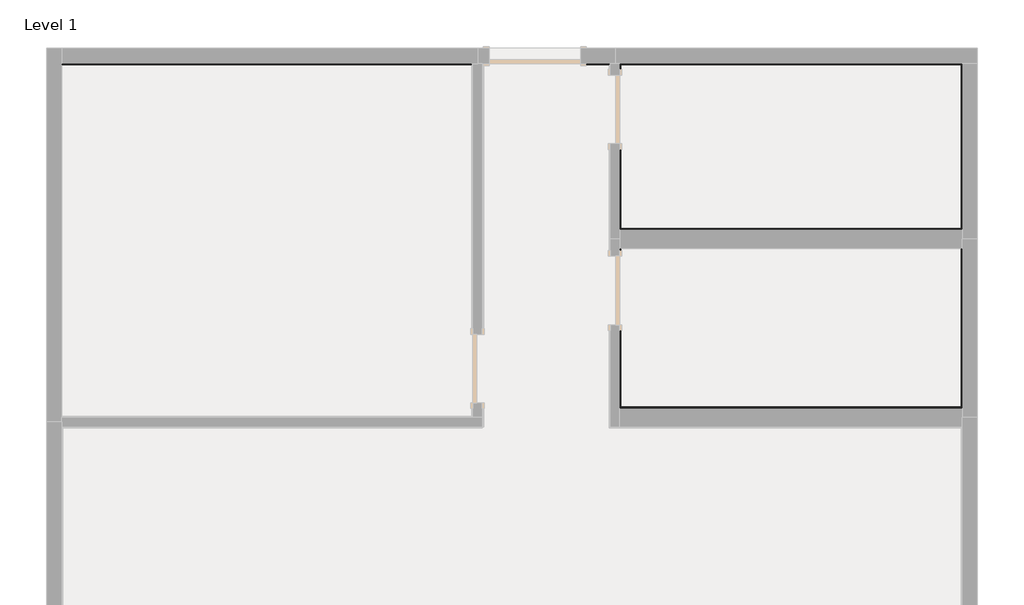
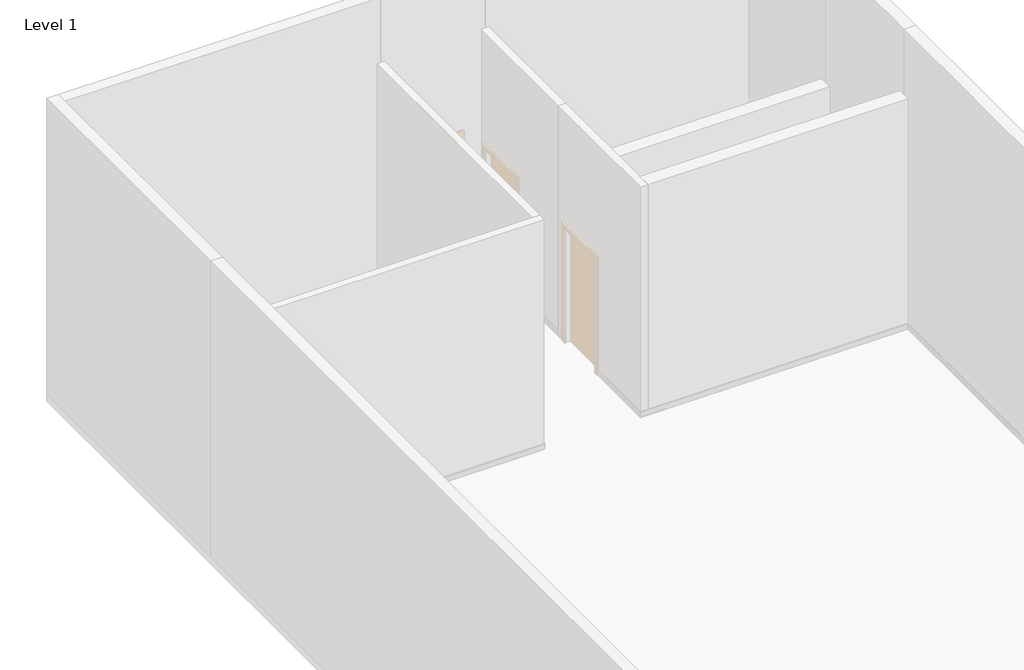
# One storey, part 3 of 3: 5 proxies.
"""IFC4 building model written with IfcOpenShell, lengths in millimetres."""

from ifc_helpers import new_model, si_unit, frame, origin, place, context, project, spatial, circle_curve, ellipse_curve, element, save
from ifc_brep_helpers import plane_surface, cylinder_surface, advanced_brep

model = new_model("IFC4")

# Units and contexts
model_context = context("Model", 3, world=origin())
ifc_project = project(units=[si_unit("LENGTHUNIT", "METRE", prefix="MILLI")], contexts=[model_context])

# Site, building, storey
site = spatial("IfcSite", under=ifc_project)
building = spatial("IfcBuilding", under=site)
storey = spatial("IfcBuildingStorey", under=building, Name="Level 1", Elevation=0.0)

# Proxies
placement = place(None, origin())
element("IfcBuildingElementProxy", 1, Name="base", ObjectType="base", at=placement, inside=storey, context=model_context, shape_type="AdvancedBrep", body=[
    advanced_brep(
    [(-12951.4064527, 12661.3372492, 22.1801656), (-12951.4064527, 12661.3372492, 0.0), (-12951.4064527, 12647.0497492, 0.0), (-12951.4064527, 12647.0497492, 104.775), (-12951.4064527, 12650.2247492, 107.95), (-12951.4064527, 12661.3372492, 107.95), (-12951.4064527, 12661.3372492, 87.5505545), (-12951.4064527, 12657.9475457, 85.828144), (-12951.4064527, 12657.9475457, 23.915644), (-7477.7064527, 12661.3372492, 22.1801656), (-7477.7064527, 12657.9475457, 23.915644), (-7477.7064527, 12657.9475457, 85.828144), (-7477.7064527, 12661.3372492, 87.5505545), (-7477.7064527, 12661.3372492, 107.95), (-7477.7064527, 12650.2247492, 107.95), (-7477.7064527, 12647.0497492, 104.775), (-7477.7064527, 12647.0497492, 0.0), (-7477.7064527, 12661.3372492, 0.0)],
    [
        (0, 1),
        (1, 2),
        (2, 3),
        (3, 4, circle_curve(frame((-12951.4064527, 12650.2247492, 104.775), z_axis=(-1.0, 0.0, 0.0), x_axis=(0.0, -1.0, 0.0)), 3.175)),
        (4, 5),
        (5, 6),
        (6, 7),
        (7, 8),
        (8, 0),
        (9, 10),
        (10, 11),
        (11, 12),
        (12, 13),
        (13, 14),
        (14, 15, circle_curve(frame((-7477.7064527, 12650.2247492, 104.775), z_axis=(1.0, 0.0, 0.0), x_axis=(0.0, -1.0, 0.0)), 3.175)),
        (15, 16),
        (16, 17),
        (17, 9),
        (0, 9),
        (17, 1),
        (16, 2),
        (15, 3),
        (14, 4),
        (13, 5),
        (12, 6),
        (11, 7),
        (10, 8),
    ],
    [
        plane_surface(frame((-12951.4064527, 12661.3372492, -108.5204596), z_axis=(-1.0, 0.0, 0.0), x_axis=(0.0, 1.0, 0.0))),
        plane_surface(frame((-7477.7064527, 12661.3372492, -108.5204596), z_axis=(1.0, 0.0, 0.0), x_axis=(0.0, 1.0, 0.0))),
        plane_surface(frame((-12951.4064527, 12661.3372492, 22.1801656), z_axis=(0.0, 1.0, 0.0), x_axis=(1.0, 0.0, 0.0))),
        plane_surface(frame((-12951.4064527, 12661.3372492, 0.0), z_axis=(0.0, 0.0, -1.0), x_axis=(1.0, 0.0, 0.0))),
        plane_surface(frame((-12951.4064527, 12647.0497492, 0.0), z_axis=(0.0, -1.0, 0.0), x_axis=(1.0, 0.0, 0.0))),
        cylinder_surface(frame((-12951.4064527, 12650.2247492, 104.775), z_axis=(-1.0, 0.0, 0.0), x_axis=(0.0, -1.0, 0.0)), 3.175),
        plane_surface(frame((-12951.4064527, 12650.2247492, 107.95), z_axis=(0.0, 0.0, 1.0), x_axis=(1.0, 0.0, 0.0))),
        plane_surface(frame((-12951.4064527, 12661.3372492, 107.95), z_axis=(0.0, 1.0, 0.0), x_axis=(1.0, 0.0, 0.0))),
        plane_surface(frame((-12951.4064527, 12661.3372492, 87.5505545), z_axis=(0.0, 0.4530026868357818, -0.8915091506650745), x_axis=(1.0, 0.0, 0.0))),
        plane_surface(frame((-12951.4064527, 12657.9475457, 85.828144), z_axis=(0.0, 1.0, 0.0), x_axis=(1.0, 0.0, 0.0))),
        plane_surface(frame((-12951.4064527, 12657.9475457, 23.915644), z_axis=(0.0, 0.4557279043188856, 0.8901191365346083), x_axis=(1.0, 0.0, 0.0))),
    ],
    [
        (0, [[1, 2, 3, 4, 5, 6, 7, 8, 9]]),
        (1, [[10, 11, 12, 13, 14, 15, 16, 17, 18]]),
        (2, [[-1, 19, -18, 20]]),
        (3, [[-2, -20, -17, 21]]),
        (4, [[-3, -21, -16, 22]]),
        (5, [[-4, -22, -15, 23]]),
        (6, [[-5, -23, -14, 24]]),
        (7, [[-6, -24, -13, 25]]),
        (8, [[-7, -25, -12, 26]]),
        (9, [[-8, -26, -11, 27]]),
        (10, [[-9, -27, -10, -19]]),
    ],
),
    advanced_brep(
    [(-7350.7064527, 12661.3372492, 22.1801656), (-7350.7064527, 12661.3372492, 0.0), (-7350.7064527, 12647.0497492, 0.0), (-7350.7064527, 12647.0497492, 104.775), (-7350.7064527, 12650.2247492, 107.95), (-7350.7064527, 12661.3372492, 107.95), (-7350.7064527, 12661.3372492, 87.5505545), (-7350.7064527, 12657.9475457, 85.828144), (-7350.7064527, 12657.9475457, 23.915644), (-7261.8064527, 12661.3372492, 22.1801656), (-7261.8064527, 12657.9475457, 23.915644), (-7261.8064527, 12657.9475457, 85.828144), (-7261.8064527, 12661.3372492, 87.5505545), (-7261.8064527, 12661.3372492, 107.95), (-7261.8064527, 12650.2247492, 107.95), (-7261.8064527, 12647.0497492, 104.775), (-7261.8064527, 12647.0497492, 0.0), (-7261.8064527, 12661.3372492, 0.0)],
    [
        (0, 1),
        (1, 2),
        (2, 3),
        (3, 4, circle_curve(frame((-7350.7064527, 12650.2247492, 104.775), z_axis=(-1.0, 0.0, 0.0), x_axis=(0.0, -1.0, 0.0)), 3.175)),
        (4, 5),
        (5, 6),
        (6, 7),
        (7, 8),
        (8, 0),
        (9, 10),
        (10, 11),
        (11, 12),
        (12, 13),
        (13, 14),
        (14, 15, circle_curve(frame((-7261.8064527, 12650.2247492, 104.775), z_axis=(1.0, 0.0, 0.0), x_axis=(0.0, -1.0, 0.0)), 3.175)),
        (15, 16),
        (16, 17),
        (17, 9),
        (0, 9),
        (17, 1),
        (16, 2),
        (15, 3),
        (14, 4),
        (13, 5),
        (12, 6),
        (11, 7),
        (10, 8),
    ],
    [
        plane_surface(frame((-7350.7064527, 12661.3372492, -108.5204596), z_axis=(-1.0, 0.0, 0.0), x_axis=(0.0, 1.0, 0.0))),
        plane_surface(frame((-7261.8064527, 12661.3372492, -108.5204596), z_axis=(1.0, 0.0, 0.0), x_axis=(0.0, 1.0, 0.0))),
        plane_surface(frame((-7350.7064527, 12661.3372492, 22.1801656), z_axis=(0.0, 1.0, 0.0), x_axis=(1.0, 0.0, 0.0))),
        plane_surface(frame((-7350.7064527, 12661.3372492, 0.0), z_axis=(0.0, 0.0, -1.0), x_axis=(1.0, 0.0, 0.0))),
        plane_surface(frame((-7350.7064527, 12647.0497492, 0.0), z_axis=(0.0, -1.0, 0.0), x_axis=(1.0, 0.0, 0.0))),
        cylinder_surface(frame((-7350.7064527, 12650.2247492, 104.775), z_axis=(-1.0, 0.0, 0.0), x_axis=(0.0, -1.0, 0.0)), 3.175),
        plane_surface(frame((-7350.7064527, 12650.2247492, 107.95), z_axis=(0.0, 0.0, 1.0), x_axis=(1.0, 0.0, 0.0))),
        plane_surface(frame((-7350.7064527, 12661.3372492, 107.95), z_axis=(0.0, 1.0, 0.0), x_axis=(1.0, 0.0, 0.0))),
        plane_surface(frame((-7350.7064527, 12661.3372492, 87.5505545), z_axis=(0.0, 0.4530026868357818, -0.8915091506650745), x_axis=(1.0, 0.0, 0.0))),
        plane_surface(frame((-7350.7064527, 12657.9475457, 85.828144), z_axis=(0.0, 1.0, 0.0), x_axis=(1.0, 0.0, 0.0))),
        plane_surface(frame((-7350.7064527, 12657.9475457, 23.915644), z_axis=(0.0, 0.4557279043188856, 0.8901191365346083), x_axis=(1.0, 0.0, 0.0))),
    ],
    [
        (0, [[1, 2, 3, 4, 5, 6, 7, 8, 9]]),
        (1, [[10, 11, 12, 13, 14, 15, 16, 17, 18]]),
        (2, [[-1, 19, -18, 20]]),
        (3, [[-2, -20, -17, 21]]),
        (4, [[-3, -21, -16, 22]]),
        (5, [[-4, -22, -15, 23]]),
        (6, [[-5, -23, -14, 24]]),
        (7, [[-6, -24, -13, 25]]),
        (8, [[-7, -25, -12, 26]]),
        (9, [[-8, -26, -11, 27]]),
        (10, [[-9, -27, -10, -19]]),
    ],
),
    advanced_brep(
    [(-5521.9064527, 12661.3372492, 22.1801656), (-5521.9064527, 12661.3372492, 0.0), (-5507.6189527, 12647.0497492, 0.0), (-5507.6189527, 12647.0497492, 104.775), (-5510.7939527, 12650.2247492, 107.95), (-5521.9064527, 12661.3372492, 107.95), (-5521.9064527, 12661.3372492, 87.5505545), (-5518.5167492, 12657.9475457, 85.828144), (-5518.5167492, 12657.9475457, 23.915644), (-962.6064527, 12661.3372492, 22.1801656), (-965.9961562, 12657.9475457, 23.915644), (-965.9961562, 12657.9475457, 85.828144), (-962.6064527, 12661.3372492, 87.5505545), (-962.6064527, 12661.3372492, 107.95), (-973.7189527, 12650.2247492, 107.95), (-976.8939527, 12647.0497492, 104.775), (-976.8939527, 12647.0497492, 0.0), (-962.6064527, 12661.3372492, 0.0)],
    [
        (0, 1),
        (1, 2),
        (2, 3),
        (3, 4, ellipse_curve(frame((-5510.7939527, 12650.2247492, 104.775), z_axis=(-0.7071067811865476, -0.7071067811865476, 0.0), x_axis=(-0.7071067811865475, 0.7071067811865476, 0.0)), 4.4901281, 3.175)),
        (4, 5),
        (5, 6),
        (6, 7),
        (7, 8),
        (8, 0),
        (9, 10),
        (10, 11),
        (11, 12),
        (12, 13),
        (13, 14),
        (14, 15, ellipse_curve(frame((-973.7189527, 12650.2247492, 104.775), z_axis=(0.707106781186546, -0.7071067811865491, 0.0), x_axis=(-0.707106781186549, -0.707106781186546, 0.0)), 4.4901281, 3.175)),
        (15, 16),
        (16, 17),
        (17, 9),
        (0, 9),
        (17, 1),
        (16, 2),
        (15, 3),
        (14, 4),
        (13, 5),
        (12, 6),
        (11, 7),
        (10, 8),
    ],
    [
        plane_surface(frame((-5521.9064527, 12661.3372492, 304.8), z_axis=(-0.7071067811865476, -0.7071067811865476, 0.0), x_axis=(0.7071067811865476, -0.7071067811865476, 0.0))),
        plane_surface(frame((-962.6064527, 12661.3372492, 304.8), z_axis=(0.707106781186546, -0.7071067811865491, 0.0), x_axis=(-0.7071067811865491, -0.707106781186546, 0.0))),
        plane_surface(frame((-5521.9064527, 12661.3372492, 22.1801656), z_axis=(0.0, 1.0, 0.0), x_axis=(1.0, 0.0, 0.0))),
        plane_surface(frame((-5521.9064527, 12661.3372492, 0.0), z_axis=(0.0, 0.0, -1.0), x_axis=(1.0, 0.0, 0.0))),
        plane_surface(frame((-5507.6189527, 12647.0497492, 0.0), z_axis=(0.0, -1.0, 0.0), x_axis=(1.0, 0.0, 0.0))),
        cylinder_surface(frame((-5521.9064527, 12650.2247492, 104.775), z_axis=(-1.0, 0.0, 0.0), x_axis=(0.0, -1.0, 0.0)), 3.175),
        plane_surface(frame((-5510.7939527, 12650.2247492, 107.95), z_axis=(0.0, 0.0, 1.0), x_axis=(1.0, 0.0, 0.0))),
        plane_surface(frame((-5521.9064527, 12661.3372492, 107.95), z_axis=(0.0, 1.0, 0.0), x_axis=(1.0, 0.0, 0.0))),
        plane_surface(frame((-5521.9064527, 12661.3372492, 87.5505545), z_axis=(0.0, 0.4530026868357818, -0.8915091506650745), x_axis=(1.0, 0.0, 0.0))),
        plane_surface(frame((-5518.5167492, 12657.9475457, 85.828144), z_axis=(0.0, 1.0, 0.0), x_axis=(1.0, 0.0, 0.0))),
        plane_surface(frame((-5518.5167492, 12657.9475457, 23.915644), z_axis=(0.0, 0.4557279043188856, 0.8901191365346083), x_axis=(1.0, 0.0, 0.0))),
    ],
    [
        (0, [[1, 2, 3, 4, 5, 6, 7, 8, 9]]),
        (1, [[10, 11, 12, 13, 14, 15, 16, 17, 18]]),
        (2, [[-1, 19, -18, 20]]),
        (3, [[-2, -20, -17, 21]]),
        (4, [[-3, -21, -16, 22]]),
        (5, [[-4, -22, -15, 23]]),
        (6, [[-5, -23, -14, 24]]),
        (7, [[-6, -24, -13, 25]]),
        (8, [[-7, -25, -12, 26]]),
        (9, [[-8, -26, -11, 27]]),
        (10, [[-9, -27, -10, -19]]),
    ],
),
    advanced_brep(
    [(-6042.6064527, 12661.3372492, 22.1801656), (-6042.6064527, 12661.3372492, 0.0), (-6042.6064527, 12647.0497492, 0.0), (-6042.6064527, 12647.0497492, 104.775), (-6042.6064527, 12650.2247492, 107.95), (-6042.6064527, 12661.3372492, 107.95), (-6042.6064527, 12661.3372492, 87.5505545), (-6042.6064527, 12657.9475457, 85.828144), (-6042.6064527, 12657.9475457, 23.915644), (-5648.9064527, 12661.3372492, 22.1801656), (-5652.2961562, 12657.9475457, 23.915644), (-5652.2961562, 12657.9475457, 85.828144), (-5648.9064527, 12661.3372492, 87.5505545), (-5648.9064527, 12661.3372492, 107.95), (-5660.0189527, 12650.2247492, 107.95), (-5663.1939527, 12647.0497492, 104.775), (-5663.1939527, 12647.0497492, 0.0), (-5648.9064527, 12661.3372492, 0.0)],
    [
        (0, 1),
        (1, 2),
        (2, 3),
        (3, 4, circle_curve(frame((-6042.6064527, 12650.2247492, 104.775), z_axis=(-1.0, 0.0, 0.0), x_axis=(0.0, -1.0, 0.0)), 3.175)),
        (4, 5),
        (5, 6),
        (6, 7),
        (7, 8),
        (8, 0),
        (9, 10),
        (10, 11),
        (11, 12),
        (12, 13),
        (13, 14),
        (14, 15, ellipse_curve(frame((-5660.0189527, 12650.2247492, 104.775), z_axis=(0.7071067811865458, -0.7071067811865493, 0.0), x_axis=(-0.7071067811865492, -0.7071067811865458, 0.0)), 4.4901281, 3.175)),
        (15, 16),
        (16, 17),
        (17, 9),
        (0, 9),
        (17, 1),
        (16, 2),
        (15, 3),
        (14, 4),
        (13, 5),
        (12, 6),
        (11, 7),
        (10, 8),
    ],
    [
        plane_surface(frame((-6042.6064527, 12661.3372492, -108.5204596), z_axis=(-1.0, 0.0, 0.0), x_axis=(0.0, 1.0, 0.0))),
        plane_surface(frame((-5648.9064527, 12661.3372492, 304.8), z_axis=(0.7071067811865458, -0.7071067811865493, 0.0), x_axis=(-0.7071067811865493, -0.7071067811865458, 0.0))),
        plane_surface(frame((-6042.6064527, 12661.3372492, 22.1801656), z_axis=(0.0, 1.0, 0.0), x_axis=(1.0, 0.0, 0.0))),
        plane_surface(frame((-6042.6064527, 12661.3372492, 0.0), z_axis=(0.0, 0.0, -1.0), x_axis=(1.0, 0.0, 0.0))),
        plane_surface(frame((-6042.6064527, 12647.0497492, 0.0), z_axis=(0.0, -1.0, 0.0), x_axis=(1.0, 0.0, 0.0))),
        cylinder_surface(frame((-6042.6064527, 12650.2247492, 104.775), z_axis=(-1.0, 0.0, 0.0), x_axis=(0.0, -1.0, 0.0)), 3.175),
        plane_surface(frame((-6042.6064527, 12650.2247492, 107.95), z_axis=(0.0, 0.0, 1.0), x_axis=(1.0, 0.0, 0.0))),
        plane_surface(frame((-6042.6064527, 12661.3372492, 107.95), z_axis=(0.0, 1.0, 0.0), x_axis=(1.0, 0.0, 0.0))),
        plane_surface(frame((-6042.6064527, 12661.3372492, 87.5505545), z_axis=(0.0, 0.4530026868357818, -0.8915091506650745), x_axis=(1.0, 0.0, 0.0))),
        plane_surface(frame((-6042.6064527, 12657.9475457, 85.828144), z_axis=(0.0, 1.0, 0.0), x_axis=(1.0, 0.0, 0.0))),
        plane_surface(frame((-6042.6064527, 12657.9475457, 23.915644), z_axis=(0.0, 0.4557279043188856, 0.8901191365346083), x_axis=(1.0, 0.0, 0.0))),
    ],
    [
        (0, [[1, 2, 3, 4, 5, 6, 7, 8, 9]]),
        (1, [[10, 11, 12, 13, 14, 15, 16, 17, 18]]),
        (2, [[-1, 19, -18, 20]]),
        (3, [[-2, -20, -17, 21]]),
        (4, [[-3, -21, -16, 22]]),
        (5, [[-4, -22, -15, 23]]),
        (6, [[-5, -23, -14, 24]]),
        (7, [[-6, -24, -13, 25]]),
        (8, [[-7, -25, -12, 26]]),
        (9, [[-8, -26, -11, 27]]),
        (10, [[-9, -27, -10, -19]]),
    ],
),
])
element("IfcBuildingElementProxy", 2, Name="base", ObjectType="base", at=placement, inside=storey, context=model_context, shape_type="AdvancedBrep", body=[
    advanced_brep(
    [(-962.6064527, 12661.3372492, 22.1801656), (-962.6064527, 12661.3372492, 0.0), (-976.8939527, 12647.0497492, 0.0), (-976.8939527, 12647.0497492, 104.775), (-973.7189527, 12650.2247492, 107.95), (-962.6064527, 12661.3372492, 107.95), (-962.6064527, 12661.3372492, 87.5505545), (-965.9961562, 12657.9475457, 85.828144), (-965.9961562, 12657.9475457, 23.915644), (-962.6064527, 10448.3622492, 22.1801656), (-965.9961562, 10451.7519527, 23.915644), (-965.9961562, 10451.7519527, 85.828144), (-962.6064527, 10448.3622492, 87.5505545), (-962.6064527, 10448.3622492, 107.95), (-973.7189527, 10459.4747492, 107.95), (-976.8939527, 10462.6497492, 104.775), (-976.8939527, 10462.6497492, 0.0), (-962.6064527, 10448.3622492, 0.0)],
    [
        (0, 1),
        (1, 2),
        (2, 3),
        (3, 4, ellipse_curve(frame((-973.7189527, 12650.2247492, 104.775), z_axis=(-0.707106781186546, 0.7071067811865491, 0.0), x_axis=(0.7071067811865491, 0.7071067811865459, 0.0)), 4.4901281, 3.175)),
        (4, 5),
        (5, 6),
        (6, 7),
        (7, 8),
        (8, 0),
        (9, 10),
        (10, 11),
        (11, 12),
        (12, 13),
        (13, 14),
        (14, 15, ellipse_curve(frame((-973.7189527, 10459.4747492, 104.775), z_axis=(-0.7071067811865478, -0.7071067811865474, 0.0), x_axis=(-0.7071067811865475, 0.7071067811865477, 0.0)), 4.4901281, 3.175)),
        (15, 16),
        (16, 17),
        (17, 9),
        (0, 9),
        (17, 1),
        (16, 2),
        (15, 3),
        (14, 4),
        (13, 5),
        (12, 6),
        (11, 7),
        (10, 8),
    ],
    [
        plane_surface(frame((-962.6064527, 12661.3372492, 304.8), z_axis=(-0.707106781186546, 0.7071067811865491, 0.0), x_axis=(-0.7071067811865491, -0.707106781186546, 0.0))),
        plane_surface(frame((-962.6064527, 10448.3622492, 304.8), z_axis=(-0.7071067811865478, -0.7071067811865474, 0.0), x_axis=(-0.7071067811865474, 0.7071067811865478, 0.0))),
        plane_surface(frame((-962.6064527, 12661.3372492, 22.1801656), z_axis=(1.0, 0.0, 0.0), x_axis=(0.0, -1.0, 0.0))),
        plane_surface(frame((-962.6064527, 12661.3372492, 0.0), z_axis=(0.0, 0.0, -1.0), x_axis=(0.0, -1.0, 0.0))),
        plane_surface(frame((-976.8939527, 12647.0497492, 0.0), z_axis=(-1.0, 0.0, 0.0), x_axis=(0.0, -1.0, 0.0))),
        cylinder_surface(frame((-973.7189527, 12661.3372492, 104.775), z_axis=(0.0, 1.0, 0.0), x_axis=(-1.0, 0.0, 0.0)), 3.175),
        plane_surface(frame((-973.7189527, 12650.2247492, 107.95), z_axis=(0.0, 0.0, 1.0), x_axis=(0.0, -1.0, 0.0))),
        plane_surface(frame((-962.6064527, 12661.3372492, 107.95), z_axis=(1.0, 0.0, 0.0), x_axis=(0.0, -1.0, 0.0))),
        plane_surface(frame((-962.6064527, 12661.3372492, 87.5505545), z_axis=(0.4530026868357818, 0.0, -0.8915091506650745), x_axis=(0.0, -1.0, 0.0))),
        plane_surface(frame((-965.9961562, 12657.9475457, 85.828144), z_axis=(1.0, 0.0, 0.0), x_axis=(0.0, -1.0, 0.0))),
        plane_surface(frame((-965.9961562, 12657.9475457, 23.915644), z_axis=(0.4557279043188856, 0.0, 0.8901191365346083), x_axis=(0.0, -1.0, 0.0))),
    ],
    [
        (0, [[1, 2, 3, 4, 5, 6, 7, 8, 9]]),
        (1, [[10, 11, 12, 13, 14, 15, 16, 17, 18]]),
        (2, [[-1, 19, -18, 20]]),
        (3, [[-2, -20, -17, 21]]),
        (4, [[-3, -21, -16, 22]]),
        (5, [[-4, -22, -15, 23]]),
        (6, [[-5, -23, -14, 24]]),
        (7, [[-6, -24, -13, 25]]),
        (8, [[-7, -25, -12, 26]]),
        (9, [[-8, -26, -11, 27]]),
        (10, [[-9, -27, -10, -19]]),
    ],
),
    advanced_brep(
    [(-962.6064527, 10200.7122492, 22.1801656), (-962.6064527, 10200.7122492, 0.0), (-976.8939527, 10200.7122492, 0.0), (-976.8939527, 10200.7122492, 104.775), (-973.7189527, 10200.7122492, 107.95), (-962.6064527, 10200.7122492, 107.95), (-962.6064527, 10200.7122492, 87.5505545), (-965.9961562, 10200.7122492, 85.828144), (-965.9961562, 10200.7122492, 23.915644), (-962.6064527, 8070.2872492, 22.1801656), (-965.9961562, 8073.6769527, 23.915644), (-965.9961562, 8073.6769527, 85.828144), (-962.6064527, 8070.2872492, 87.5505545), (-962.6064527, 8070.2872492, 107.95), (-973.7189527, 8081.3997492, 107.95), (-976.8939527, 8084.5747492, 104.775), (-976.8939527, 8084.5747492, 0.0), (-962.6064527, 8070.2872492, 0.0)],
    [
        (0, 1),
        (1, 2),
        (2, 3),
        (3, 4, circle_curve(frame((-973.7189527, 10200.7122492, 104.775), z_axis=(0.0, 1.0, 0.0), x_axis=(-1.0, 0.0, 0.0)), 3.175)),
        (4, 5),
        (5, 6),
        (6, 7),
        (7, 8),
        (8, 0),
        (9, 10),
        (10, 11),
        (11, 12),
        (12, 13),
        (13, 14),
        (14, 15, ellipse_curve(frame((-973.7189527, 8081.3997492, 104.775), z_axis=(-0.7071067811865496, -0.7071067811865456, 0.0), x_axis=(-0.7071067811865456, 0.7071067811865493, 0.0)), 4.4901281, 3.175)),
        (15, 16),
        (16, 17),
        (17, 9),
        (0, 9),
        (17, 1),
        (16, 2),
        (15, 3),
        (14, 4),
        (13, 5),
        (12, 6),
        (11, 7),
        (10, 8),
    ],
    [
        plane_surface(frame((-1071.1269123, 10200.7122492, 0.0), z_axis=(0.0, 1.0, 0.0), x_axis=(0.0, 0.0, -1.0))),
        plane_surface(frame((-962.6064527, 8070.2872492, 304.8), z_axis=(-0.7071067811865496, -0.7071067811865456, 0.0), x_axis=(-0.7071067811865456, 0.7071067811865496, 0.0))),
        plane_surface(frame((-962.6064527, 10200.7122492, 22.1801656), z_axis=(1.0, 0.0, 0.0), x_axis=(0.0, -1.0, 0.0))),
        plane_surface(frame((-962.6064527, 10200.7122492, 0.0), z_axis=(0.0, 0.0, -1.0), x_axis=(0.0, -1.0, 0.0))),
        plane_surface(frame((-976.8939527, 10200.7122492, 0.0), z_axis=(-1.0, 0.0, 0.0), x_axis=(0.0, -1.0, 0.0))),
        cylinder_surface(frame((-973.7189527, 10200.7122492, 104.775), z_axis=(0.0, 1.0, 0.0), x_axis=(-1.0, 0.0, 0.0)), 3.175),
        plane_surface(frame((-973.7189527, 10200.7122492, 107.95), z_axis=(0.0, 0.0, 1.0), x_axis=(0.0, -1.0, 0.0))),
        plane_surface(frame((-962.6064527, 10200.7122492, 107.95), z_axis=(1.0, 0.0, 0.0), x_axis=(0.0, -1.0, 0.0))),
        plane_surface(frame((-962.6064527, 10200.7122492, 87.5505545), z_axis=(0.4530026868357818, 0.0, -0.8915091506650745), x_axis=(0.0, -1.0, 0.0))),
        plane_surface(frame((-965.9961562, 10200.7122492, 85.828144), z_axis=(1.0, 0.0, 0.0), x_axis=(0.0, -1.0, 0.0))),
        plane_surface(frame((-965.9961562, 10200.7122492, 23.915644), z_axis=(0.4557279043188856, 0.0, 0.8901191365346083), x_axis=(0.0, -1.0, 0.0))),
    ],
    [
        (0, [[1, 2, 3, 4, 5, 6, 7, 8, 9]]),
        (1, [[10, 11, 12, 13, 14, 15, 16, 17, 18]]),
        (2, [[-1, 19, -18, 20]]),
        (3, [[-2, -20, -17, 21]]),
        (4, [[-3, -21, -16, 22]]),
        (5, [[-4, -22, -15, 23]]),
        (6, [[-5, -23, -14, 24]]),
        (7, [[-6, -24, -13, 25]]),
        (8, [[-7, -25, -12, 26]]),
        (9, [[-8, -26, -11, 27]]),
        (10, [[-9, -27, -10, -19]]),
    ],
),
])
element("IfcBuildingElementProxy", 3, Name="base", ObjectType="base", at=placement, inside=storey, context=model_context, shape_type="AdvancedBrep", body=[
    advanced_brep(
    [(-5521.9064527, 12661.3372492, 22.1801656), (-5518.5167492, 12657.9475457, 23.915644), (-5518.5167492, 12657.9475457, 85.828144), (-5521.9064527, 12661.3372492, 87.5505545), (-5521.9064527, 12661.3372492, 107.95), (-5510.7939527, 12650.2247492, 107.95), (-5507.6189527, 12647.0497492, 104.775), (-5507.6189527, 12647.0497492, 0.0), (-5521.9064527, 12661.3372492, 0.0), (-5521.9064527, 12508.9372492, 22.1801656), (-5521.9064527, 12508.9372492, 0.0), (-5507.6189527, 12508.9372492, 0.0), (-5507.6189527, 12508.9372492, 104.775), (-5510.7939527, 12508.9372492, 107.95), (-5521.9064527, 12508.9372492, 107.95), (-5521.9064527, 12508.9372492, 87.5505545), (-5518.5167492, 12508.9372492, 85.828144), (-5518.5167492, 12508.9372492, 23.915644)],
    [
        (0, 1),
        (1, 2),
        (2, 3),
        (3, 4),
        (4, 5),
        (5, 6, ellipse_curve(frame((-5510.7939527, 12650.2247492, 104.775), z_axis=(0.7071067811865476, 0.7071067811865476, 0.0), x_axis=(-0.7071067811865477, 0.7071067811865474, 0.0)), 4.4901281, 3.175)),
        (6, 7),
        (7, 8),
        (8, 0),
        (9, 10),
        (10, 11),
        (11, 12),
        (12, 13, circle_curve(frame((-5510.7939527, 12508.9372492, 104.775), z_axis=(0.0, -1.0, 0.0), x_axis=(1.0, 0.0, 0.0)), 3.175)),
        (13, 14),
        (14, 15),
        (15, 16),
        (16, 17),
        (17, 9),
        (0, 9),
        (17, 1),
        (16, 2),
        (15, 3),
        (14, 4),
        (13, 5),
        (12, 6),
        (11, 7),
        (10, 8),
    ],
    [
        plane_surface(frame((-5521.9064527, 12661.3372492, -304.8), z_axis=(0.7071067811865476, 0.7071067811865476, 0.0), x_axis=(0.7071067811865476, -0.7071067811865476, 0.0))),
        plane_surface(frame((-5630.4269123, 12508.9372492, 0.0), z_axis=(0.0, -1.0, 0.0), x_axis=(0.0, 0.0, -1.0))),
        plane_surface(frame((-5521.9064527, 12661.3372492, 22.1801656), z_axis=(-0.4557279043188856, 0.0, 0.8901191365346083), x_axis=(0.0, -1.0, 0.0))),
        plane_surface(frame((-5518.5167492, 12657.9475457, 23.915644), z_axis=(-1.0, 0.0, 0.0), x_axis=(0.0, -1.0, 0.0))),
        plane_surface(frame((-5518.5167492, 12657.9475457, 85.828144), z_axis=(-0.4530026868357818, 0.0, -0.8915091506650745), x_axis=(0.0, -1.0, 0.0))),
        plane_surface(frame((-5521.9064527, 12661.3372492, 87.5505545), z_axis=(-1.0, 0.0, 0.0), x_axis=(0.0, -1.0, 0.0))),
        plane_surface(frame((-5521.9064527, 12661.3372492, 107.95), z_axis=(0.0, 0.0, 1.0), x_axis=(0.0, -1.0, 0.0))),
        cylinder_surface(frame((-5510.7939527, 12661.3372492, 104.775), z_axis=(0.0, 1.0, 0.0), x_axis=(1.0, 0.0, 0.0)), 3.175),
        plane_surface(frame((-5507.6189527, 12647.0497492, 104.775), z_axis=(1.0, 0.0, 0.0), x_axis=(0.0, -1.0, 0.0))),
        plane_surface(frame((-5507.6189527, 12647.0497492, 0.0), z_axis=(0.0, 0.0, -1.0), x_axis=(0.0, -1.0, 0.0))),
        plane_surface(frame((-5521.9064527, 12661.3372492, 0.0), z_axis=(-1.0, 0.0, 0.0), x_axis=(0.0, -1.0, 0.0))),
    ],
    [
        (0, [[1, 2, 3, 4, 5, 6, 7, 8, 9]]),
        (1, [[10, 11, 12, 13, 14, 15, 16, 17, 18]]),
        (2, [[-1, 19, -18, 20]]),
        (3, [[-2, -20, -17, 21]]),
        (4, [[-3, -21, -16, 22]]),
        (5, [[-4, -22, -15, 23]]),
        (6, [[-5, -23, -14, 24]]),
        (7, [[-6, -24, -13, 25]]),
        (8, [[-7, -25, -12, 26]]),
        (9, [[-8, -26, -11, 27]]),
        (10, [[-9, -27, -10, -19]]),
    ],
),
    advanced_brep(
    [(-5521.9064527, 11594.5372492, 22.1801656), (-5518.5167492, 11594.5372492, 23.915644), (-5518.5167492, 11594.5372492, 85.828144), (-5521.9064527, 11594.5372492, 87.5505545), (-5521.9064527, 11594.5372492, 107.95), (-5510.7939527, 11594.5372492, 107.95), (-5507.6189527, 11594.5372492, 104.775), (-5507.6189527, 11594.5372492, 0.0), (-5521.9064527, 11594.5372492, 0.0), (-5521.9064527, 10448.3622492, 22.1801656), (-5521.9064527, 10448.3622492, 0.0), (-5507.6189527, 10462.6497492, 0.0), (-5507.6189527, 10462.6497492, 104.775), (-5510.7939527, 10459.4747492, 107.95), (-5521.9064527, 10448.3622492, 107.95), (-5521.9064527, 10448.3622492, 87.5505545), (-5518.5167492, 10451.7519527, 85.828144), (-5518.5167492, 10451.7519527, 23.915644)],
    [
        (0, 1),
        (1, 2),
        (2, 3),
        (3, 4),
        (4, 5),
        (5, 6, circle_curve(frame((-5510.7939527, 11594.5372492, 104.775), z_axis=(0.0, 1.0, 0.0), x_axis=(1.0, 0.0, 0.0)), 3.175)),
        (6, 7),
        (7, 8),
        (8, 0),
        (9, 10),
        (10, 11),
        (11, 12),
        (12, 13, ellipse_curve(frame((-5510.7939527, 10459.4747492, 104.775), z_axis=(0.7071067811865458, -0.7071067811865493, 0.0), x_axis=(0.7071067811865493, 0.7071067811865456, 0.0)), 4.4901281, 3.175)),
        (13, 14),
        (14, 15),
        (15, 16),
        (16, 17),
        (17, 9),
        (0, 9),
        (17, 1),
        (16, 2),
        (15, 3),
        (14, 4),
        (13, 5),
        (12, 6),
        (11, 7),
        (10, 8),
    ],
    [
        plane_surface(frame((-5630.4269123, 11594.5372492, 0.0), z_axis=(0.0, 1.0, 0.0), x_axis=(0.0, 0.0, -1.0))),
        plane_surface(frame((-5521.9064527, 10448.3622492, -304.8), z_axis=(0.7071067811865458, -0.7071067811865493, 0.0), x_axis=(0.7071067811865493, 0.7071067811865458, 0.0))),
        plane_surface(frame((-5521.9064527, 11594.5372492, 22.1801656), z_axis=(-0.4557279043188856, 0.0, 0.8901191365346083), x_axis=(0.0, -1.0, 0.0))),
        plane_surface(frame((-5518.5167492, 11594.5372492, 23.915644), z_axis=(-1.0, 0.0, 0.0), x_axis=(0.0, -1.0, 0.0))),
        plane_surface(frame((-5518.5167492, 11594.5372492, 85.828144), z_axis=(-0.4530026868357818, 0.0, -0.8915091506650745), x_axis=(0.0, -1.0, 0.0))),
        plane_surface(frame((-5521.9064527, 11594.5372492, 87.5505545), z_axis=(-1.0, 0.0, 0.0), x_axis=(0.0, -1.0, 0.0))),
        plane_surface(frame((-5521.9064527, 11594.5372492, 107.95), z_axis=(0.0, 0.0, 1.0), x_axis=(0.0, -1.0, 0.0))),
        cylinder_surface(frame((-5510.7939527, 11594.5372492, 104.775), z_axis=(0.0, 1.0, 0.0), x_axis=(1.0, 0.0, 0.0)), 3.175),
        plane_surface(frame((-5507.6189527, 11594.5372492, 104.775), z_axis=(1.0, 0.0, 0.0), x_axis=(0.0, -1.0, 0.0))),
        plane_surface(frame((-5507.6189527, 11594.5372492, 0.0), z_axis=(0.0, 0.0, -1.0), x_axis=(0.0, -1.0, 0.0))),
        plane_surface(frame((-5521.9064527, 11594.5372492, 0.0), z_axis=(-1.0, 0.0, 0.0), x_axis=(0.0, -1.0, 0.0))),
    ],
    [
        (0, [[1, 2, 3, 4, 5, 6, 7, 8, 9]]),
        (1, [[10, 11, 12, 13, 14, 15, 16, 17, 18]]),
        (2, [[-1, 19, -18, 20]]),
        (3, [[-2, -20, -17, 21]]),
        (4, [[-3, -21, -16, 22]]),
        (5, [[-4, -22, -15, 23]]),
        (6, [[-5, -23, -14, 24]]),
        (7, [[-6, -24, -13, 25]]),
        (8, [[-7, -25, -12, 26]]),
        (9, [[-8, -26, -11, 27]]),
        (10, [[-9, -27, -10, -19]]),
    ],
),
    advanced_brep(
    [(-5521.9064527, 10200.7122492, 22.1801656), (-5518.5167492, 10200.7122492, 23.915644), (-5518.5167492, 10200.7122492, 85.828144), (-5521.9064527, 10200.7122492, 87.5505545), (-5521.9064527, 10200.7122492, 107.95), (-5510.7939527, 10200.7122492, 107.95), (-5507.6189527, 10200.7122492, 104.775), (-5507.6189527, 10200.7122492, 0.0), (-5521.9064527, 10200.7122492, 0.0), (-5521.9064527, 10095.9372492, 22.1801656), (-5521.9064527, 10095.9372492, 0.0), (-5507.6189527, 10095.9372492, 0.0), (-5507.6189527, 10095.9372492, 104.775), (-5510.7939527, 10095.9372492, 107.95), (-5521.9064527, 10095.9372492, 107.95), (-5521.9064527, 10095.9372492, 87.5505545), (-5518.5167492, 10095.9372492, 85.828144), (-5518.5167492, 10095.9372492, 23.915644)],
    [
        (0, 1),
        (1, 2),
        (2, 3),
        (3, 4),
        (4, 5),
        (5, 6, circle_curve(frame((-5510.7939527, 10200.7122492, 104.775), z_axis=(0.0, 1.0, 0.0), x_axis=(1.0, 0.0, 0.0)), 3.175)),
        (6, 7),
        (7, 8),
        (8, 0),
        (9, 10),
        (10, 11),
        (11, 12),
        (12, 13, circle_curve(frame((-5510.7939527, 10095.9372492, 104.775), z_axis=(0.0, -1.0, 0.0), x_axis=(1.0, 0.0, 0.0)), 3.175)),
        (13, 14),
        (14, 15),
        (15, 16),
        (16, 17),
        (17, 9),
        (0, 9),
        (17, 1),
        (16, 2),
        (15, 3),
        (14, 4),
        (13, 5),
        (12, 6),
        (11, 7),
        (10, 8),
    ],
    [
        plane_surface(frame((-5630.4269123, 10200.7122492, 0.0), z_axis=(0.0, 1.0, 0.0), x_axis=(0.0, 0.0, -1.0))),
        plane_surface(frame((-5630.4269123, 10095.9372492, 0.0), z_axis=(0.0, -1.0, 0.0), x_axis=(0.0, 0.0, -1.0))),
        plane_surface(frame((-5521.9064527, 10200.7122492, 22.1801656), z_axis=(-0.4557279043188856, 0.0, 0.8901191365346083), x_axis=(0.0, -1.0, 0.0))),
        plane_surface(frame((-5518.5167492, 10200.7122492, 23.915644), z_axis=(-1.0, 0.0, 0.0), x_axis=(0.0, -1.0, 0.0))),
        plane_surface(frame((-5518.5167492, 10200.7122492, 85.828144), z_axis=(-0.4530026868357818, 0.0, -0.8915091506650745), x_axis=(0.0, -1.0, 0.0))),
        plane_surface(frame((-5521.9064527, 10200.7122492, 87.5505545), z_axis=(-1.0, 0.0, 0.0), x_axis=(0.0, -1.0, 0.0))),
        plane_surface(frame((-5521.9064527, 10200.7122492, 107.95), z_axis=(0.0, 0.0, 1.0), x_axis=(0.0, -1.0, 0.0))),
        cylinder_surface(frame((-5510.7939527, 10200.7122492, 104.775), z_axis=(0.0, 1.0, 0.0), x_axis=(1.0, 0.0, 0.0)), 3.175),
        plane_surface(frame((-5507.6189527, 10200.7122492, 104.775), z_axis=(1.0, 0.0, 0.0), x_axis=(0.0, -1.0, 0.0))),
        plane_surface(frame((-5507.6189527, 10200.7122492, 0.0), z_axis=(0.0, 0.0, -1.0), x_axis=(0.0, -1.0, 0.0))),
        plane_surface(frame((-5521.9064527, 10200.7122492, 0.0), z_axis=(-1.0, 0.0, 0.0), x_axis=(0.0, -1.0, 0.0))),
    ],
    [
        (0, [[1, 2, 3, 4, 5, 6, 7, 8, 9]]),
        (1, [[10, 11, 12, 13, 14, 15, 16, 17, 18]]),
        (2, [[-1, 19, -18, 20]]),
        (3, [[-2, -20, -17, 21]]),
        (4, [[-3, -21, -16, 22]]),
        (5, [[-4, -22, -15, 23]]),
        (6, [[-5, -23, -14, 24]]),
        (7, [[-6, -24, -13, 25]]),
        (8, [[-7, -25, -12, 26]]),
        (9, [[-8, -26, -11, 27]]),
        (10, [[-9, -27, -10, -19]]),
    ],
),
    advanced_brep(
    [(-5521.9064527, 9181.5372492, 22.1801656), (-5518.5167492, 9181.5372492, 23.915644), (-5518.5167492, 9181.5372492, 85.828144), (-5521.9064527, 9181.5372492, 87.5505545), (-5521.9064527, 9181.5372492, 107.95), (-5510.7939527, 9181.5372492, 107.95), (-5507.6189527, 9181.5372492, 104.775), (-5507.6189527, 9181.5372492, 0.0), (-5521.9064527, 9181.5372492, 0.0), (-5521.9064527, 8070.2872492, 22.1801656), (-5521.9064527, 8070.2872492, 0.0), (-5507.6189527, 8084.5747492, 0.0), (-5507.6189527, 8084.5747492, 104.775), (-5510.7939527, 8081.3997492, 107.95), (-5521.9064527, 8070.2872492, 107.95), (-5521.9064527, 8070.2872492, 87.5505545), (-5518.5167492, 8073.6769527, 85.828144), (-5518.5167492, 8073.6769527, 23.915644)],
    [
        (0, 1),
        (1, 2),
        (2, 3),
        (3, 4),
        (4, 5),
        (5, 6, circle_curve(frame((-5510.7939527, 9181.5372492, 104.775), z_axis=(0.0, 1.0, 0.0), x_axis=(1.0, 0.0, 0.0)), 3.175)),
        (6, 7),
        (7, 8),
        (8, 0),
        (9, 10),
        (10, 11),
        (11, 12),
        (12, 13, ellipse_curve(frame((-5510.7939527, 8081.3997492, 104.775), z_axis=(0.7071067811865458, -0.7071067811865493, 0.0), x_axis=(0.7071067811865493, 0.7071067811865456, 0.0)), 4.4901281, 3.175)),
        (13, 14),
        (14, 15),
        (15, 16),
        (16, 17),
        (17, 9),
        (0, 9),
        (17, 1),
        (16, 2),
        (15, 3),
        (14, 4),
        (13, 5),
        (12, 6),
        (11, 7),
        (10, 8),
    ],
    [
        plane_surface(frame((-5630.4269123, 9181.5372492, 0.0), z_axis=(0.0, 1.0, 0.0), x_axis=(0.0, 0.0, -1.0))),
        plane_surface(frame((-5521.9064527, 8070.2872492, -304.8), z_axis=(0.7071067811865458, -0.7071067811865493, 0.0), x_axis=(0.7071067811865493, 0.7071067811865458, 0.0))),
        plane_surface(frame((-5521.9064527, 9181.5372492, 22.1801656), z_axis=(-0.4557279043188856, 0.0, 0.8901191365346083), x_axis=(0.0, -1.0, 0.0))),
        plane_surface(frame((-5518.5167492, 9181.5372492, 23.915644), z_axis=(-1.0, 0.0, 0.0), x_axis=(0.0, -1.0, 0.0))),
        plane_surface(frame((-5518.5167492, 9181.5372492, 85.828144), z_axis=(-0.4530026868357818, 0.0, -0.8915091506650745), x_axis=(0.0, -1.0, 0.0))),
        plane_surface(frame((-5521.9064527, 9181.5372492, 87.5505545), z_axis=(-1.0, 0.0, 0.0), x_axis=(0.0, -1.0, 0.0))),
        plane_surface(frame((-5521.9064527, 9181.5372492, 107.95), z_axis=(0.0, 0.0, 1.0), x_axis=(0.0, -1.0, 0.0))),
        cylinder_surface(frame((-5510.7939527, 9181.5372492, 104.775), z_axis=(0.0, 1.0, 0.0), x_axis=(1.0, 0.0, 0.0)), 3.175),
        plane_surface(frame((-5507.6189527, 9181.5372492, 104.775), z_axis=(1.0, 0.0, 0.0), x_axis=(0.0, -1.0, 0.0))),
        plane_surface(frame((-5507.6189527, 9181.5372492, 0.0), z_axis=(0.0, 0.0, -1.0), x_axis=(0.0, -1.0, 0.0))),
        plane_surface(frame((-5521.9064527, 9181.5372492, 0.0), z_axis=(-1.0, 0.0, 0.0), x_axis=(0.0, -1.0, 0.0))),
    ],
    [
        (0, [[1, 2, 3, 4, 5, 6, 7, 8, 9]]),
        (1, [[10, 11, 12, 13, 14, 15, 16, 17, 18]]),
        (2, [[-1, 19, -18, 20]]),
        (3, [[-2, -20, -17, 21]]),
        (4, [[-3, -21, -16, 22]]),
        (5, [[-4, -22, -15, 23]]),
        (6, [[-5, -23, -14, 24]]),
        (7, [[-6, -24, -13, 25]]),
        (8, [[-7, -25, -12, 26]]),
        (9, [[-8, -26, -11, 27]]),
        (10, [[-9, -27, -10, -19]]),
    ],
),
])
element("IfcBuildingElementProxy", 4, Name="base", ObjectType="base", at=placement, inside=storey, context=model_context, shape_type="AdvancedBrep", body=[
    advanced_brep(
    [(-5521.9064527, 10448.3622492, 22.1801656), (-5518.5167492, 10451.7519527, 23.915644), (-5518.5167492, 10451.7519527, 85.828144), (-5521.9064527, 10448.3622492, 87.5505545), (-5521.9064527, 10448.3622492, 107.95), (-5510.7939527, 10459.4747492, 107.95), (-5507.6189527, 10462.6497492, 104.775), (-5507.6189527, 10462.6497492, 0.0), (-5521.9064527, 10448.3622492, 0.0), (-962.6064527, 10448.3622492, 22.1801656), (-962.6064527, 10448.3622492, 0.0), (-976.8939527, 10462.6497492, 0.0), (-976.8939527, 10462.6497492, 104.775), (-973.7189527, 10459.4747492, 107.95), (-962.6064527, 10448.3622492, 107.95), (-962.6064527, 10448.3622492, 87.5505545), (-965.9961562, 10451.7519527, 85.828144), (-965.9961562, 10451.7519527, 23.915644)],
    [
        (0, 1),
        (1, 2),
        (2, 3),
        (3, 4),
        (4, 5),
        (5, 6, ellipse_curve(frame((-5510.7939527, 10459.4747492, 104.775), z_axis=(-0.7071067811865458, 0.7071067811865493, 0.0), x_axis=(-0.7071067811865492, -0.7071067811865458, 0.0)), 4.4901281, 3.175)),
        (6, 7),
        (7, 8),
        (8, 0),
        (9, 10),
        (10, 11),
        (11, 12),
        (12, 13, ellipse_curve(frame((-973.7189527, 10459.4747492, 104.775), z_axis=(0.7071067811865478, 0.7071067811865474, 0.0), x_axis=(-0.7071067811865471, 0.7071067811865479, 0.0)), 4.4901281, 3.175)),
        (13, 14),
        (14, 15),
        (15, 16),
        (16, 17),
        (17, 9),
        (0, 9),
        (17, 1),
        (16, 2),
        (15, 3),
        (14, 4),
        (13, 5),
        (12, 6),
        (11, 7),
        (10, 8),
    ],
    [
        plane_surface(frame((-5521.9064527, 10448.3622492, -304.8), z_axis=(-0.7071067811865458, 0.7071067811865493, 0.0), x_axis=(0.7071067811865493, 0.7071067811865458, 0.0))),
        plane_surface(frame((-962.6064527, 10448.3622492, -304.8), z_axis=(0.7071067811865478, 0.7071067811865474, 0.0), x_axis=(-0.7071067811865474, 0.7071067811865478, 0.0))),
        plane_surface(frame((-5521.9064527, 10448.3622492, 22.1801656), z_axis=(0.0, -0.4557279043188856, 0.8901191365346083), x_axis=(1.0, 0.0, 0.0))),
        plane_surface(frame((-5518.5167492, 10451.7519527, 23.915644), z_axis=(0.0, -1.0, 0.0), x_axis=(1.0, 0.0, 0.0))),
        plane_surface(frame((-5518.5167492, 10451.7519527, 85.828144), z_axis=(0.0, -0.4530026868357818, -0.8915091506650745), x_axis=(1.0, 0.0, 0.0))),
        plane_surface(frame((-5521.9064527, 10448.3622492, 87.5505545), z_axis=(0.0, -1.0, 0.0), x_axis=(1.0, 0.0, 0.0))),
        plane_surface(frame((-5521.9064527, 10448.3622492, 107.95), z_axis=(0.0, 0.0, 1.0), x_axis=(1.0, 0.0, 0.0))),
        cylinder_surface(frame((-5521.9064527, 10459.4747492, 104.775), z_axis=(-1.0, 0.0, 0.0), x_axis=(0.0, 1.0, 0.0)), 3.175),
        plane_surface(frame((-5507.6189527, 10462.6497492, 104.775), z_axis=(0.0, 1.0, 0.0), x_axis=(1.0, 0.0, 0.0))),
        plane_surface(frame((-5507.6189527, 10462.6497492, 0.0), z_axis=(0.0, 0.0, -1.0), x_axis=(1.0, 0.0, 0.0))),
        plane_surface(frame((-5521.9064527, 10448.3622492, 0.0), z_axis=(0.0, -1.0, 0.0), x_axis=(1.0, 0.0, 0.0))),
    ],
    [
        (0, [[1, 2, 3, 4, 5, 6, 7, 8, 9]]),
        (1, [[10, 11, 12, 13, 14, 15, 16, 17, 18]]),
        (2, [[-1, 19, -18, 20]]),
        (3, [[-2, -20, -17, 21]]),
        (4, [[-3, -21, -16, 22]]),
        (5, [[-4, -22, -15, 23]]),
        (6, [[-5, -23, -14, 24]]),
        (7, [[-6, -24, -13, 25]]),
        (8, [[-7, -25, -12, 26]]),
        (9, [[-8, -26, -11, 27]]),
        (10, [[-9, -27, -10, -19]]),
    ],
),
])
element("IfcBuildingElementProxy", 5, Name="base", ObjectType="base", at=placement, inside=storey, context=model_context, shape_type="AdvancedBrep", body=[
    advanced_brep(
    [(-5521.9064527, 8070.2872492, 22.1801656), (-5518.5167492, 8073.6769527, 23.915644), (-5518.5167492, 8073.6769527, 85.828144), (-5521.9064527, 8070.2872492, 87.5505545), (-5521.9064527, 8070.2872492, 107.95), (-5510.7939527, 8081.3997492, 107.95), (-5507.6189527, 8084.5747492, 104.775), (-5507.6189527, 8084.5747492, 0.0), (-5521.9064527, 8070.2872492, 0.0), (-962.6064527, 8070.2872492, 22.1801656), (-962.6064527, 8070.2872492, 0.0), (-976.8939527, 8084.5747492, 0.0), (-976.8939527, 8084.5747492, 104.775), (-973.7189527, 8081.3997492, 107.95), (-962.6064527, 8070.2872492, 107.95), (-962.6064527, 8070.2872492, 87.5505545), (-965.9961562, 8073.6769527, 85.828144), (-965.9961562, 8073.6769527, 23.915644)],
    [
        (0, 1),
        (1, 2),
        (2, 3),
        (3, 4),
        (4, 5),
        (5, 6, ellipse_curve(frame((-5510.7939527, 8081.3997492, 104.775), z_axis=(-0.7071067811865458, 0.7071067811865493, 0.0), x_axis=(-0.7071067811865492, -0.7071067811865458, 0.0)), 4.4901281, 3.175)),
        (6, 7),
        (7, 8),
        (8, 0),
        (9, 10),
        (10, 11),
        (11, 12),
        (12, 13, ellipse_curve(frame((-973.7189527, 8081.3997492, 104.775), z_axis=(0.7071067811865496, 0.7071067811865456, 0.0), x_axis=(-0.7071067811865454, 0.7071067811865496, 0.0)), 4.4901281, 3.175)),
        (13, 14),
        (14, 15),
        (15, 16),
        (16, 17),
        (17, 9),
        (0, 9),
        (17, 1),
        (16, 2),
        (15, 3),
        (14, 4),
        (13, 5),
        (12, 6),
        (11, 7),
        (10, 8),
    ],
    [
        plane_surface(frame((-5521.9064527, 8070.2872492, -304.8), z_axis=(-0.7071067811865458, 0.7071067811865493, 0.0), x_axis=(0.7071067811865493, 0.7071067811865458, 0.0))),
        plane_surface(frame((-962.6064527, 8070.2872492, -304.8), z_axis=(0.7071067811865496, 0.7071067811865456, 0.0), x_axis=(-0.7071067811865456, 0.7071067811865496, 0.0))),
        plane_surface(frame((-5521.9064527, 8070.2872492, 22.1801656), z_axis=(0.0, -0.4557279043188856, 0.8901191365346083), x_axis=(1.0, 0.0, 0.0))),
        plane_surface(frame((-5518.5167492, 8073.6769527, 23.915644), z_axis=(0.0, -1.0, 0.0), x_axis=(1.0, 0.0, 0.0))),
        plane_surface(frame((-5518.5167492, 8073.6769527, 85.828144), z_axis=(0.0, -0.4530026868357818, -0.8915091506650745), x_axis=(1.0, 0.0, 0.0))),
        plane_surface(frame((-5521.9064527, 8070.2872492, 87.5505545), z_axis=(0.0, -1.0, 0.0), x_axis=(1.0, 0.0, 0.0))),
        plane_surface(frame((-5521.9064527, 8070.2872492, 107.95), z_axis=(0.0, 0.0, 1.0), x_axis=(1.0, 0.0, 0.0))),
        cylinder_surface(frame((-5521.9064527, 8081.3997492, 104.775), z_axis=(-1.0, 0.0, 0.0), x_axis=(0.0, 1.0, 0.0)), 3.175),
        plane_surface(frame((-5507.6189527, 8084.5747492, 104.775), z_axis=(0.0, 1.0, 0.0), x_axis=(1.0, 0.0, 0.0))),
        plane_surface(frame((-5507.6189527, 8084.5747492, 0.0), z_axis=(0.0, 0.0, -1.0), x_axis=(1.0, 0.0, 0.0))),
        plane_surface(frame((-5521.9064527, 8070.2872492, 0.0), z_axis=(0.0, -1.0, 0.0), x_axis=(1.0, 0.0, 0.0))),
    ],
    [
        (0, [[1, 2, 3, 4, 5, 6, 7, 8, 9]]),
        (1, [[10, 11, 12, 13, 14, 15, 16, 17, 18]]),
        (2, [[-1, 19, -18, 20]]),
        (3, [[-2, -20, -17, 21]]),
        (4, [[-3, -21, -16, 22]]),
        (5, [[-4, -22, -15, 23]]),
        (6, [[-5, -23, -14, 24]]),
        (7, [[-6, -24, -13, 25]]),
        (8, [[-7, -25, -12, 26]]),
        (9, [[-8, -26, -11, 27]]),
        (10, [[-9, -27, -10, -19]]),
    ],
),
])

save(model, "model.ifc")
